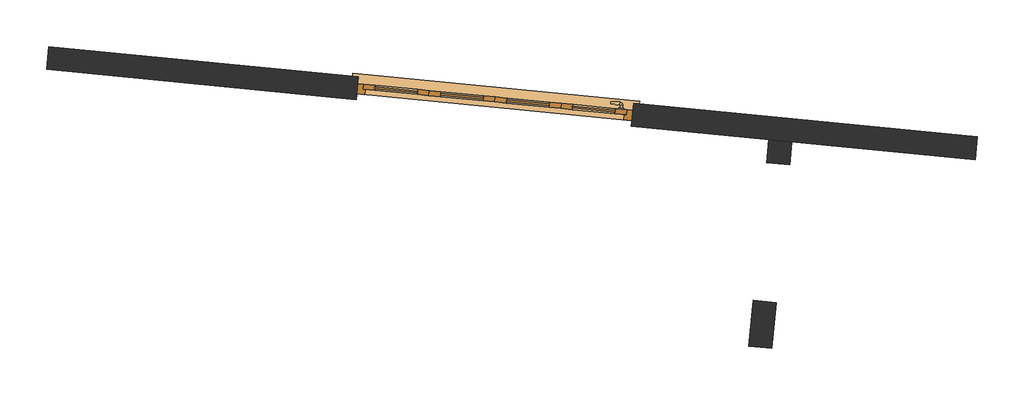
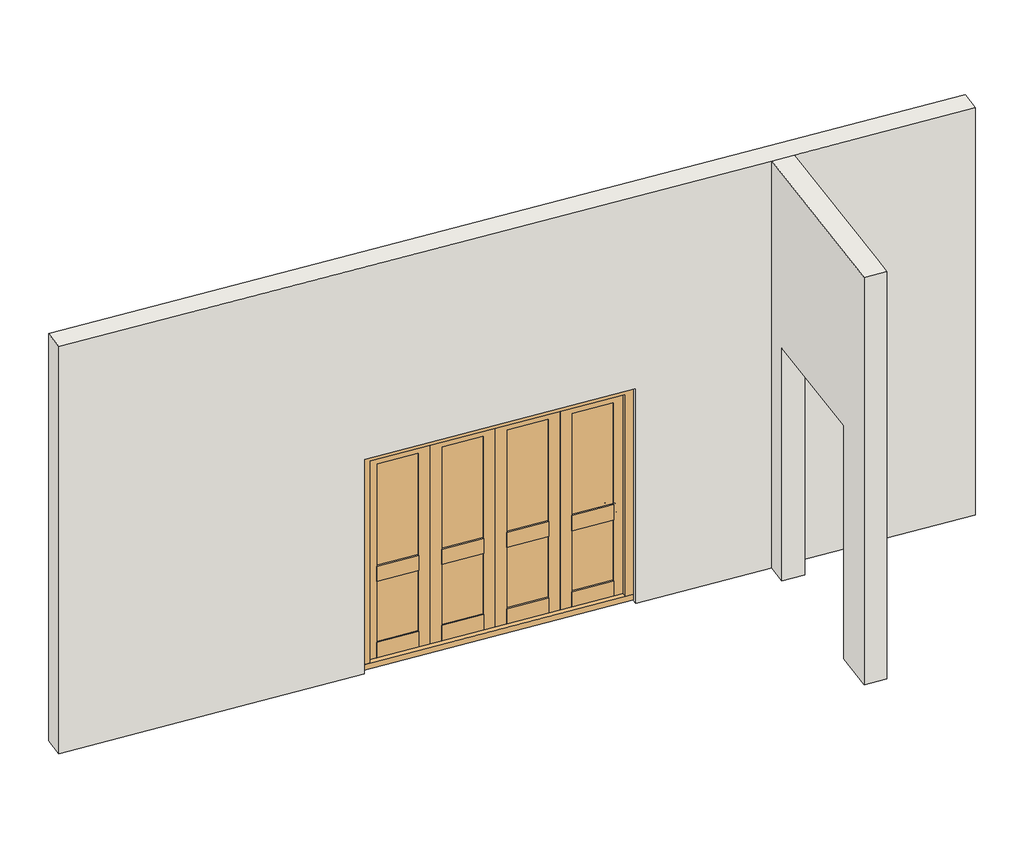
# One storey, part 6 of 18: 2 walls, 1 door.
"""IFC4 building model written with IfcOpenShell, lengths in millimetres."""

import ifcopenshell
import ifcopenshell.guid

model = None  # the IFC model being written
_history = None  # IfcOwnerHistory: only IFC2X3 demands one
_inside = {}  # id of a spatial element -> (the spatial element, [elements in it])
_under = {}  # id of a project, library or spatial element -> (it, [spatial elements below it])
_declared = {}  # id of a project -> (the project, [libraries it declares])
_typed = {}  # id of a type object -> (the type object, [elements of that type])
_made_of = {}  # id of a material, layer set ... -> (it, [elements and type objects made of it])


def new_model(schema):
    """Start an empty IFC model of exactly this schema.

    Asked for "IFC4X3", IfcOpenShell would pick the latest addendum, in which some entities
    have other attributes; the version numbers below select the first issue.
    IFC2X3 requires an IfcOwnerHistory on every rooted entity: one is made here for all.
    """
    global model, _history
    if schema == "IFC4X3":
        model = ifcopenshell.file(schema_version=(4, 3, 0, 0))
    else:
        model = ifcopenshell.file(schema=schema)
    _inside.clear()
    _under.clear()
    _declared.clear()
    _typed.clear()
    _made_of.clear()
    _history = None
    if model.schema == "IFC2X3":
        org = make("IfcOrganization", Name="unknown")
        user = make(
            "IfcPersonAndOrganization",
            ThePerson=make("IfcPerson", FamilyName="unknown"),
            TheOrganization=org,
        )
        app = make(
            "IfcApplication",
            ApplicationDeveloper=org,
            Version="unknown",
            ApplicationFullName="unknown",
            ApplicationIdentifier="unknown",
        )
        _history = make(
            "IfcOwnerHistory",
            OwningUser=user,
            OwningApplication=app,
            ChangeAction="ADDED",
            CreationDate=0,
        )
    return model


def make(cls, **values):
    """One entity of the class cls with the attributes given. An attribute that is None is left unset."""
    return model.create_entity(
        cls, **{name: value for name, value in values.items() if value is not None}
    )


def rooted(cls, **values):
    """An entity with a GlobalId (a new one), such as an element, a storey or a relation."""
    return make(cls, GlobalId=ifcopenshell.guid.new(), OwnerHistory=_history, **values)


def si_unit(unit_type, name, prefix=None):
    """IfcSIUnit, for example si_unit("LENGTHUNIT", "METRE", prefix="MILLI")."""
    return make("IfcSIUnit", UnitType=unit_type, Prefix=prefix, Name=name)


def assignment(units):
    """IfcUnitAssignment: the units of a project."""
    return None if units is None else make("IfcUnitAssignment", Units=units)


def point(xyz):
    """IfcCartesianPoint."""
    return None if xyz is None else make("IfcCartesianPoint", Coordinates=xyz)


def direction(xyz):
    """IfcDirection."""
    return None if xyz is None else make("IfcDirection", DirectionRatios=xyz)


def frame(location, z_axis=None, x_axis=None):
    """IfcAxis2Placement3D, a coordinate frame: its origin and axes. An axis left out is left unset."""
    return make(
        "IfcAxis2Placement3D",
        Location=point(location),
        Axis=direction(z_axis),
        RefDirection=direction(x_axis),
    )


def frame_2d(location, x_axis=None):
    """IfcAxis2Placement2D, a coordinate frame in the plane: its origin and x axis."""
    return make(
        "IfcAxis2Placement2D", Location=point(location), RefDirection=direction(x_axis)
    )


def origin():
    """The frame at (0, 0, 0) with its axes left unset."""
    return frame((0.0, 0.0, 0.0))


def place(relative_to, where):
    """IfcLocalPlacement: puts the frame where relative to a parent placement (None: the world)."""
    return make(
        "IfcLocalPlacement", PlacementRelTo=relative_to, RelativePlacement=where
    )


def context(
    kind, dimensions, precision=None, world=None, true_north=None, identifier=None
):
    """IfcGeometricRepresentationContext, for example the 3D "Model" context."""
    return make(
        "IfcGeometricRepresentationContext",
        ContextIdentifier=identifier,
        ContextType=kind,
        CoordinateSpaceDimension=dimensions,
        Precision=precision,
        WorldCoordinateSystem=world,
        TrueNorth=true_north,
    )


def project(units=None, contexts=None):
    """IfcProject with its units and contexts."""
    return rooted(
        "IfcProject",
        Name="project",
        RepresentationContexts=contexts,
        UnitsInContext=assignment(units),
    )


def spatial(cls, under=None, at=None, **own):
    """A site, building, storey or space (cls), placed at a placement, below another one or the project."""
    s = rooted(cls, ObjectPlacement=at, **own)
    if under is not None:
        _under.setdefault(under.id(), (under, []))[1].append(s)
    return s


def polyline(points):
    """IfcPolyline through the points."""
    return make("IfcPolyline", Points=[point(p) for p in points])


def circle_curve(where, radius):
    """IfcCircle in the frame where."""
    return make("IfcCircle", Position=where, Radius=radius)


def ellipse_curve(where, semi_axis1, semi_axis2):
    """IfcEllipse in the frame where."""
    return make(
        "IfcEllipse", Position=where, SemiAxis1=semi_axis1, SemiAxis2=semi_axis2
    )


def trimmed(basis, trim1, trim2, sense, master):
    """IfcTrimmedCurve: the piece of a basis curve between two trims."""
    return make(
        "IfcTrimmedCurve",
        BasisCurve=basis,
        Trim1=trim1,
        Trim2=trim2,
        SenseAgreement=sense,
        MasterRepresentation=master,
    )


def segment(curve, same_sense, transition):
    """IfcCompositeCurveSegment."""
    return make(
        "IfcCompositeCurveSegment",
        Transition=transition,
        SameSense=same_sense,
        ParentCurve=curve,
    )


def composite_curve(segments, self_intersect=None):
    """IfcCompositeCurve: segments joined end to end."""
    return make("IfcCompositeCurve", Segments=segments, SelfIntersect=self_intersect)


def outline(outer, holes=None, kind="AREA"):
    """IfcArbitraryClosedProfileDef: a profile drawn as a closed curve; with holes, ...WithVoids."""
    if holes is None:
        return make("IfcArbitraryClosedProfileDef", ProfileType=kind, OuterCurve=outer)
    return make(
        "IfcArbitraryProfileDefWithVoids",
        ProfileType=kind,
        OuterCurve=outer,
        InnerCurves=holes,
    )


def extrude(swept, where, along, depth):
    """IfcExtrudedAreaSolid: the profile swept, set in the frame where, extruded along a direction by depth."""
    return make(
        "IfcExtrudedAreaSolid",
        SweptArea=swept,
        Position=where,
        ExtrudedDirection=direction(along),
        Depth=depth,
    )


def faces_of(points, faces, orient=None, outer=None):
    """IfcFace entities. A face is a list of loops; a loop is a list of indices into points, from 0.

    orient and outer hold one flag for each loop. By default every Orientation is true, the
    first loop of a face is its IfcFaceOuterBound and the others are IfcFaceBound.
    """
    made = []
    for i, loops in enumerate(faces):
        bounds = []
        for j, loop in enumerate(loops):
            is_outer = j == 0 if outer is None else outer[i][j]
            bounds.append(
                make(
                    "IfcFaceOuterBound" if is_outer else "IfcFaceBound",
                    Bound=make("IfcPolyLoop", Polygon=[points[k] for k in loop]),
                    Orientation=True if orient is None else orient[i][j],
                )
            )
        made.append(make("IfcFace", Bounds=bounds))
    return made


def faceted_brep(points, faces, orient=None, outer=None, voids=None):
    """IfcFacetedBrep: a solid bounded by flat faces; with voids (closed shells), ...WithVoids."""
    shared = [point(p) for p in points]
    hull = make("IfcClosedShell", CfsFaces=faces_of(shared, faces, orient, outer))
    if voids is None:
        return make("IfcFacetedBrep", Outer=hull)
    return make(
        "IfcFacetedBrepWithVoids",
        Outer=hull,
        Voids=[
            make(cls, CfsFaces=faces_of(shared, fs, o, b)) for cls, fs, o, b in voids
        ],
    )


def shape(context_of_items, identifier, shape_type, items):
    """IfcShapeRepresentation: the items that make up one representation, for example the "Body"."""
    return make(
        "IfcShapeRepresentation",
        ContextOfItems=context_of_items,
        RepresentationIdentifier=identifier,
        RepresentationType=shape_type,
        Items=items,
    )


def source(mapping_origin, context_of_items, identifier, shape_type, items):
    """IfcRepresentationMap: a shape defined once, which mapped items show again and again."""
    return make(
        "IfcRepresentationMap",
        MappingOrigin=mapping_origin,
        MappedRepresentation=shape(context_of_items, identifier, shape_type, items),
    )


def transform(
    local_origin,
    x_axis=None,
    y_axis=None,
    z_axis=None,
    scale=None,
    scale2=None,
    scale3=None,
    uniform=True,
):
    """IfcCartesianTransformationOperator3D, or its non-uniform kind. x_axis, y_axis, z_axis: its Axis1, 2, 3."""
    if uniform:
        return make(
            "IfcCartesianTransformationOperator3D",
            Axis1=direction(x_axis),
            Axis2=direction(y_axis),
            LocalOrigin=point(local_origin),
            Scale=scale,
            Axis3=direction(z_axis),
        )
    return make(
        "IfcCartesianTransformationOperator3DnonUniform",
        Axis1=direction(x_axis),
        Axis2=direction(y_axis),
        LocalOrigin=point(local_origin),
        Scale=scale,
        Axis3=direction(z_axis),
        Scale2=scale2,
        Scale3=scale3,
    )


def mapped(mapping_source, mapping_target):
    """IfcMappedItem: shows the shape of a source again, moved by a transform."""
    return make(
        "IfcMappedItem", MappingSource=mapping_source, MappingTarget=mapping_target
    )


def made_of(thing, what):
    """Note that an element or type object is made of a material, layer set ...; save() writes the relation."""
    if what is not None:
        _made_of.setdefault(what.id(), (what, []))[1].append(thing)
    return thing


def element(
    cls,
    number,
    at=None,
    inside=None,
    cuts=None,
    type_object=None,
    material=None,
    context=None,
    identifier="Body",
    shape_type=None,
    held_by="IfcProductDefinitionShape",
    body=None,
    shapes=None,
    **own,
):
    """One element of the class cls, such as IfcWall. Its Tag is "e" and its number.

    at: its placement. inside: the storey or other place that contains it. cuts: it is an
    opening in that element (IfcRelVoidsElement). A single representation is given by context,
    identifier, shape_type and body (its items); several are given by shapes. held_by: the class
    of the entity that holds the representations. save() writes the other relations.
    """
    e = rooted(cls, Tag="e%d" % number, ObjectPlacement=at, **own)
    if body is not None:
        shapes = [shape(context, identifier, shape_type, body)]
    if shapes is not None:
        e.Representation = make(held_by, Representations=shapes)
    if inside is not None:
        _inside.setdefault(inside.id(), (inside, []))[1].append(e)
    if cuts is not None:
        rooted(
            "IfcRelVoidsElement", RelatingBuildingElement=cuts, RelatedOpeningElement=e
        )
    if type_object is not None:
        _typed.setdefault(type_object.id(), (type_object, []))[1].append(e)
    return made_of(e, material)


def aggregate(whole, parts):
    """IfcRelAggregates: a whole, such as a stair, and the parts it consists of."""
    return rooted("IfcRelAggregates", RelatingObject=whole, RelatedObjects=parts)


def save(model, path):
    """Write the relations noted so far, then the file.

    IfcRelAggregates (storeys below a building ...), IfcRelContainedInSpatialStructure (elements
    in a storey), IfcRelDefinesByType, IfcRelAssociatesMaterial and IfcRelDeclares: one each for
    every whole, place, type object, material and project.
    """
    for whole, parts in _under.values():
        aggregate(whole, parts)
    for where, things in _inside.values():
        rooted(
            "IfcRelContainedInSpatialStructure",
            RelatedElements=things,
            RelatingStructure=where,
        )
    for kind, things in _typed.values():
        rooted("IfcRelDefinesByType", RelatedObjects=things, RelatingType=kind)
    for what, things in _made_of.values():
        rooted("IfcRelAssociatesMaterial", RelatedObjects=things, RelatingMaterial=what)
    for by, libraries in _declared.values():
        rooted("IfcRelDeclares", RelatingContext=by, RelatedDefinitions=libraries)
    model.write(path)


def plane_surface(at):
    """IfcPlane: the flat surface through the origin of the frame at, square to its z axis."""
    return make("IfcPlane", Position=at)


def cylinder_surface(at, radius):
    """IfcCylindricalSurface: all points at the distance radius from the z axis of the frame at."""
    return make("IfcCylindricalSurface", Position=at, Radius=radius)


def revolved_surface(curve, axis_point, axis_direction):
    """IfcSurfaceOfRevolution: the curve turned about the line through axis_point along axis_direction."""
    return make(
        "IfcSurfaceOfRevolution",
        SweptCurve=make("IfcArbitraryOpenProfileDef", ProfileType="CURVE", Curve=curve),
        AxisPosition=make("IfcAxis1Placement", Location=point(axis_point), Axis=direction(axis_direction)),
    )


def advanced_brep(points, edges, surfaces, faces):
    """IfcAdvancedBrep: a solid bounded by faces that lie on surfaces and meet in shared edges.

    An edge is (start, end): straight between two places in points (the first is 0);
    or (start, end, curve); or (start, end, curve, False) where it runs against its curve.
    A face is (place in surfaces, loops), or (place, loops, False) where it looks against
    its surface's normal. A loop lists edges by number (the first is 1), with a minus sign
    where the edge is run from its end to its start. The first loop is the outer one.
    """
    corners = [point(p) for p in points]
    vertices = [make("IfcVertexPoint", VertexGeometry=c) for c in corners]
    made = []
    for start, end, *more in edges:
        made.append(
            make(
                "IfcEdgeCurve",
                EdgeStart=vertices[start],
                EdgeEnd=vertices[end],
                EdgeGeometry=more[0] if more else make("IfcPolyline", Points=[corners[start], corners[end]]),
                SameSense=more[1] if len(more) > 1 else True,
            )
        )
    hull = []
    for where, loops, *sense in faces:
        bounds = []
        for j, loop in enumerate(loops):
            ring = [make("IfcOrientedEdge", EdgeElement=made[abs(k) - 1], Orientation=k > 0) for k in loop]
            bounds.append(
                make(
                    "IfcFaceOuterBound" if j == 0 else "IfcFaceBound",
                    Bound=make("IfcEdgeLoop", EdgeList=ring),
                    Orientation=True,
                )
            )
        hull.append(make("IfcAdvancedFace", Bounds=bounds, FaceSurface=surfaces[where], SameSense=sense[0] if sense else True))
    return make("IfcAdvancedBrep", Outer=make("IfcClosedShell", CfsFaces=hull))


def bifold_door_11357_bifold_door_11357_60b7b5bb(model_context):
    return source(origin(), model_context, "Body", "SolidModel", [
        extrude(outline(polyline([(100.0, 40.0), (474.25, 40.0), (474.25, 26.0), (100.0, 26.0), (100.0, 40.0)])), frame((0.0, 0.0, 804.5), z_axis=(0.0, 0.0, 1.0), x_axis=(1.0, 0.0, 0.0)), (0.0, 0.0, 1.0), 150.0),
        extrude(outline(polyline([(474.25, -4.0), (100.0, -4.0), (100.0, 10.0), (474.25, 10.0), (474.25, -4.0)])), frame((0.0, 0.0, 804.5), z_axis=(0.0, 0.0, 1.0), x_axis=(1.0, 0.0, 0.0)), (0.0, 0.0, 1.0), 150.0),
        extrude(outline(polyline([(474.25, 10.0), (100.0, 10.0), (100.0, 26.0), (474.25, 26.0), (474.25, 10.0)])), frame((0.0, 0.0, 204.5), z_axis=(0.0, 0.0, 1.0), x_axis=(1.0, 0.0, 0.0)), (0.0, 0.0, 1.0), 1754.0),
        extrude(outline(polyline([(100.0, -4.0), (100.0, 40.0), (474.25, 40.0), (474.25, -4.0), (100.0, -4.0)])), frame((0.0, 0.0, 54.5), z_axis=(0.0, 0.0, 1.0), x_axis=(1.0, 0.0, 0.0)), (0.0, 0.0, 1.0), 150.0),
        extrude(outline(polyline([(54.5, 0.0), (54.5, 100.0), (1958.5, 100.0), (1958.5, 474.25), (54.5, 474.25), (54.5, 574.25), (2058.5, 574.25), (2058.5, 0.0), (54.5, 0.0)])), frame((0.0, -4.0, 0.0), z_axis=(0.0, 1.0, 0.0), x_axis=(0.0, 0.0, 1.0)), (0.0, 0.0, 1.0), 44.0),
        extrude(outline(polyline([(-474.25, 40.0), (-100.0, 40.0), (-100.0, 26.0), (-474.25, 26.0), (-474.25, 40.0)])), frame((0.0, 0.0, 804.5), z_axis=(0.0, 0.0, 1.0), x_axis=(1.0, 0.0, 0.0)), (0.0, 0.0, 1.0), 150.0),
        extrude(outline(polyline([(-100.0, -4.0), (-474.25, -4.0), (-474.25, 10.0), (-100.0, 10.0), (-100.0, -4.0)])), frame((0.0, 0.0, 804.5), z_axis=(0.0, 0.0, 1.0), x_axis=(1.0, 0.0, 0.0)), (0.0, 0.0, 1.0), 150.0),
        extrude(outline(polyline([(-100.0, 10.0), (-474.25, 10.0), (-474.25, 26.0), (-100.0, 26.0), (-100.0, 10.0)])), frame((0.0, 0.0, 204.5), z_axis=(0.0, 0.0, 1.0), x_axis=(1.0, 0.0, 0.0)), (0.0, 0.0, 1.0), 1754.0),
        extrude(outline(polyline([(-474.25, -4.0), (-474.25, 40.0), (-100.0, 40.0), (-100.0, -4.0), (-474.25, -4.0)])), frame((0.0, 0.0, 54.5), z_axis=(0.0, 0.0, 1.0), x_axis=(1.0, 0.0, 0.0)), (0.0, 0.0, 1.0), 150.0),
        extrude(outline(polyline([(54.5, -574.25), (54.5, -474.25), (1958.5, -474.25), (1958.5, -100.0), (54.5, -100.0), (54.5, 0.0), (2058.5, 0.0), (2058.5, -574.25), (54.5, -574.25)])), frame((0.0, -4.0, 0.0), z_axis=(0.0, 1.0, 0.0), x_axis=(0.0, 0.0, 1.0)), (0.0, 0.0, 1.0), 44.0),
        extrude(outline(polyline([(674.25, 40.0), (1048.5, 40.0), (1048.5, 26.0), (674.25, 26.0), (674.25, 40.0)])), frame((0.0, 0.0, 804.5), z_axis=(0.0, 0.0, 1.0), x_axis=(1.0, 0.0, 0.0)), (0.0, 0.0, 1.0), 150.0),
        extrude(outline(polyline([(1048.5, -4.0), (674.25, -4.0), (674.25, 10.0), (1048.5, 10.0), (1048.5, -4.0)])), frame((0.0, 0.0, 804.5), z_axis=(0.0, 0.0, 1.0), x_axis=(1.0, 0.0, 0.0)), (0.0, 0.0, 1.0), 150.0),
        extrude(outline(polyline([(1048.5, 10.0), (674.25, 10.0), (674.25, 26.0), (1048.5, 26.0), (1048.5, 10.0)])), frame((0.0, 0.0, 204.5), z_axis=(0.0, 0.0, 1.0), x_axis=(1.0, 0.0, 0.0)), (0.0, 0.0, 1.0), 1754.0),
        extrude(outline(polyline([(674.25, -4.0), (674.25, 40.0), (1048.5, 40.0), (1048.5, -4.0), (674.25, -4.0)])), frame((0.0, 0.0, 54.5), z_axis=(0.0, 0.0, 1.0), x_axis=(1.0, 0.0, 0.0)), (0.0, 0.0, 1.0), 150.0),
        extrude(outline(polyline([(54.5, 574.25), (54.5, 674.25), (1958.5, 674.25), (1958.5, 1048.5), (54.5, 1048.5), (54.5, 1148.5), (2058.5, 1148.5), (2058.5, 574.25), (54.5, 574.25)])), frame((0.0, -4.0, 0.0), z_axis=(0.0, 1.0, 0.0), x_axis=(0.0, 0.0, 1.0)), (0.0, 0.0, 1.0), 44.0),
        extrude(outline(polyline([(-1048.5, 40.0), (-674.25, 40.0), (-674.25, 26.0), (-1048.5, 26.0), (-1048.5, 40.0)])), frame((0.0, 0.0, 804.5), z_axis=(0.0, 0.0, 1.0), x_axis=(1.0, 0.0, 0.0)), (0.0, 0.0, 1.0), 150.0),
        extrude(outline(polyline([(-674.25, -4.0), (-1048.5, -4.0), (-1048.5, 10.0), (-674.25, 10.0), (-674.25, -4.0)])), frame((0.0, 0.0, 804.5), z_axis=(0.0, 0.0, 1.0), x_axis=(1.0, 0.0, 0.0)), (0.0, 0.0, 1.0), 150.0),
        extrude(outline(polyline([(-674.25, 10.0), (-1048.5, 10.0), (-1048.5, 26.0), (-674.25, 26.0), (-674.25, 10.0)])), frame((0.0, 0.0, 204.5), z_axis=(0.0, 0.0, 1.0), x_axis=(1.0, 0.0, 0.0)), (0.0, 0.0, 1.0), 1754.0),
        extrude(outline(polyline([(-1048.5, -4.0), (-1048.5, 40.0), (-674.25, 40.0), (-674.25, -4.0), (-1048.5, -4.0)])), frame((0.0, 0.0, 54.5), z_axis=(0.0, 0.0, 1.0), x_axis=(1.0, 0.0, 0.0)), (0.0, 0.0, 1.0), 150.0),
        extrude(outline(polyline([(54.5, -1148.5), (54.5, -1048.5), (1958.5, -1048.5), (1958.5, -674.25), (54.5, -674.25), (54.5, -574.25), (2058.5, -574.25), (2058.5, -1148.5), (54.5, -1148.5)])), frame((0.0, -4.0, 0.0), z_axis=(0.0, 1.0, 0.0), x_axis=(0.0, 0.0, 1.0)), (0.0, 0.0, 1.0), 44.0),
        advanced_brep(
        [(1108.5, 50.0, 913.5197851), (1088.5, 50.0, 913.5197851), (1108.5, 73.0, 913.5197851), (1088.5, 73.0, 913.5197851), (1083.5, 78.0, 913.5197851), (1083.5, 98.0, 913.5197851), (1003.3501694, 98.0, 913.5197851), (1003.3501694, 78.0, 913.5197851)],
        [
            (0, 1, circle_curve(frame((1098.5, 50.0, 913.5197851), z_axis=(0.0, -1.0, 0.0), x_axis=(-1.0, 0.0, 0.0)), 10.0)),
            (1, 0, circle_curve(frame((1098.5, 50.0, 913.5197851), z_axis=(0.0, -1.0, 0.0), x_axis=(-1.0, 0.0, 0.0)), 10.0)),
            (0, 2),
            (2, 3, circle_curve(frame((1098.5, 73.0, 913.5197851), z_axis=(0.0, -1.0, 0.0), x_axis=(-1.0, 0.0, 0.0)), 10.0)),
            (3, 1),
            (3, 2, circle_curve(frame((1098.5, 73.0, 913.5197851), z_axis=(0.0, -1.0, 0.0), x_axis=(-1.0, 0.0, 0.0)), 10.0)),
            (4, 3, circle_curve(frame((1083.5, 73.0, 913.5197851), z_axis=(0.0, 0.0, -1.0), x_axis=(1.0, 0.0, 0.0)), 5.0)),
            (2, 5, circle_curve(frame((1083.5, 73.0, 913.5197851), z_axis=(0.0, 0.0, 1.0), x_axis=(1.0, 0.0, 0.0)), 25.0)),
            (5, 4, circle_curve(frame((1083.5, 88.0, 913.5197851), z_axis=(1.0, 0.0, 0.0), x_axis=(0.0, -1.0, 0.0)), 10.0)),
            (4, 5, circle_curve(frame((1083.5, 88.0, 913.5197851), z_axis=(1.0, 0.0, 0.0), x_axis=(0.0, -1.0, 0.0)), 10.0)),
            (6, 7, circle_curve(frame((1003.3501694, 88.0, 913.5197851), z_axis=(-1.0, 0.0, 0.0), x_axis=(0.0, -1.0, 0.0)), 10.0)),
            (7, 6, circle_curve(frame((1003.3501694, 88.0, 913.5197851), z_axis=(-1.0, 0.0, 0.0), x_axis=(0.0, -1.0, 0.0)), 10.0)),
            (5, 6),
            (7, 4),
        ],
        [
            plane_surface(frame((1098.5, 50.0, 0.0), z_axis=(0.0, -1.0, 0.0), x_axis=(0.0, 0.0, 1.0))),
            cylinder_surface(frame((1098.5, 50.0, 913.5197851), z_axis=(0.0, -1.0, 0.0), x_axis=(-1.0, 0.0, 0.0)), 10.0),
            revolved_surface(trimmed(ellipse_curve(frame((1098.5, 73.0, 913.5197851), z_axis=(0.0, -1.0, 0.0), x_axis=(-1.0, 0.0, 0.0)), 10.0, 10.0), [point((1108.5, 73.0, 913.5197851))], [point((1088.5, 73.0, 913.5197851))], True, "CARTESIAN"), (1083.5, 73.0, 0.0), (0.0, 0.0, 1.0)),
            revolved_surface(trimmed(ellipse_curve(frame((1098.5, 73.0, 913.5197851), z_axis=(0.0, -1.0, 0.0), x_axis=(-1.0, 0.0, 0.0)), 10.0, 10.0), [point((1088.5, 73.0, 913.5197851))], [point((1108.5, 73.0, 913.5197851))], True, "CARTESIAN"), (1083.5, 73.0, 0.0), (0.0, 0.0, 1.0)),
            plane_surface(frame((1003.3501694, 88.0, 0.0), z_axis=(-1.0, 0.0, 0.0), x_axis=(0.0, 0.0, 1.0))),
            cylinder_surface(frame((1083.5, 88.0, 913.5197851), z_axis=(1.0, 0.0, 0.0), x_axis=(0.0, -1.0, 0.0)), 10.0),
        ],
        [
            (0, [[1, 2]]),
            (1, [[-1, 3, 4, 5]]),
            (1, [[-2, -5, 6, -3]]),
            (2, [[7, -4, 8, 9]]),
            (3, [[-8, -6, -7, 10]]),
            (4, [[11, 12]]),
            (5, [[-9, 13, -12, 14]]),
            (5, [[-10, -14, -11, -13]]),
        ],
    ),
        extrude(outline(composite_curve([segment(polyline([(809.5, 1119.5), (947.5395702, 1119.5)]), True, "CONTINUOUS"), segment(trimmed(circle_curve(frame_2d((932.9481035, 1098.5)), 25.5716817), [point((947.5395702, 1119.5))], [point((947.5395702, 1077.5))], False, "CARTESIAN"), True, "CONTINUOUS"), segment(polyline([(947.5395702, 1077.5), (809.5, 1077.5)]), True, "CONTINUOUS"), segment(trimmed(circle_curve(frame_2d((824.0914668, 1098.5)), 25.5716817), [point((809.5, 1077.5))], [point((809.5, 1119.5))], False, "CARTESIAN"), True, "CONTINUOUS")], self_intersect=False), holes=[composite_curve([segment(polyline([(834.5197851, 1095.5), (844.5197851, 1095.5)]), True, "CONTINUOUS"), segment(trimmed(circle_curve(frame_2d((848.5197851, 1098.5)), 5.0), [point((844.5197851, 1095.5))], [point((844.5197851, 1101.5))], True, "CARTESIAN"), True, "CONTINUOUS"), segment(polyline([(844.5197851, 1101.5), (834.5197851, 1101.5)]), True, "CONTINUOUS"), segment(trimmed(circle_curve(frame_2d((834.7134009, 1098.5)), 3.0062414), [point((834.5197851, 1101.5))], [point((834.5197851, 1095.5))], True, "CARTESIAN"), True, "CONTINUOUS")], self_intersect=False)]), frame((0.0, 40.0, 0.0), z_axis=(0.0, 1.0, 0.0), x_axis=(0.0, 0.0, 1.0)), (0.0, 0.0, 1.0), 10.0),
        faceted_brep([(1250.0, 125.0, 0.0), (1250.0, 125.0, 41.609375), (1250.0, 100.0, 45.4007353), (1250.0, 100.0, 0.0), (-1250.0, 125.0, 41.609375), (-1250.0, 125.0, 0.0), (-1250.0, 100.0, 0.0), (-1250.0, 100.0, 45.4007353), (-1200.0, -49.0, 54.5), (-1200.0, -49.0, 0.0), (1200.0, -49.0, 0.0), (1200.0, -49.0, 54.5), (1200.0, 100.0, 0.0), (-1200.0, 100.0, 0.0), (-1200.0, 100.0, 45.4007353), (-1200.0, 40.0, 54.5), (1200.0, 40.0, 54.5), (1200.0, 100.0, 45.4007353)], [[[0, 1, 2, 3]], [[4, 5, 6, 7]], [[8, 9, 10, 11]], [[5, 0, 3, 12, 10, 9, 13, 6]], [[1, 0, 5, 4]], [[1, 4, 7, 14, 15, 16, 17, 2]], [[15, 8, 11, 16]], [[13, 14, 7, 6]], [[14, 13, 9, 8, 15]], [[12, 17, 16, 11, 10]], [[17, 12, 3, 2]]]),
        faceted_brep([(1200.0, -49.0, 54.5), (1129.5, -49.0, 54.5), (1129.5, -7.0, 54.5), (1151.5, -7.0, 54.5), (1151.5, 40.0, 54.5), (1200.0, 40.0, 54.5), (1200.0, -49.0, 2110.0), (-1200.0, -49.0, 2110.0), (-1200.0, -49.0, 54.5), (-1129.5, -49.0, 54.5), (-1129.5, -49.0, 2039.5), (1129.5, -49.0, 2039.5), (1129.5, -7.0, 2039.5), (-1129.5, -7.0, 2039.5), (-1129.5, -7.0, 54.5), (-1151.5, -7.0, 54.5), (-1151.5, -7.0, 2061.5), (1151.5, -7.0, 2061.5), (1151.5, 40.0, 2061.5), (-1151.5, 40.0, 2061.5), (-1151.5, 40.0, 54.5), (-1200.0, 40.0, 54.5), (-1200.0, 40.0, 2110.0), (1200.0, 40.0, 2110.0)], [[[0, 1, 2, 3, 4, 5]], [[1, 0, 6, 7, 8, 9, 10, 11]], [[2, 1, 11, 12]], [[3, 2, 12, 13, 14, 15, 16, 17]], [[4, 3, 17, 18]], [[5, 4, 18, 19, 20, 21, 22, 23]], [[0, 5, 23, 6]], [[7, 22, 21, 8]], [[8, 21, 20, 15, 14, 9]], [[13, 10, 9, 14]], [[19, 16, 15, 20]], [[12, 11, 10, 13]], [[18, 17, 16, 19]], [[6, 23, 22, 7]]]),
    ])


model = new_model("IFC4")

# Units and contexts
model_context = context("Model", 3, world=origin())
ifc_project = project(units=[si_unit("LENGTHUNIT", "METRE", prefix="MILLI")], contexts=[model_context])

# Site, building, storey
site = spatial("IfcSite", under=ifc_project)
building = spatial("IfcBuilding", under=site)
storey = spatial("IfcBuildingStorey", under=building, Elevation=12680.0)

# Door
placement = place(None, origin())
bifold_door_11357_bifold_door_11357_shape = bifold_door_11357_bifold_door_11357_60b7b5bb(model_context)
element("IfcDoor", 1, ObjectType="Bifold_door_11357 : Bifold_door_11357", at=placement, inside=storey, context=model_context, shape_type="MappedRepresentation", body=[
    mapped(bifold_door_11357_bifold_door_11357_shape, transform((-283532.0393584, 21537.0308007, 12680.0), x_axis=(0.9952945764557565, -0.09689533568627709, 0.0), y_axis=(0.09689533568627709, 0.9952945764557565, 0.0), z_axis=(0.0, 0.0, 1.0))),
])

# Walls
element("IfcWall", 2, ObjectType="Generic - 200mm - Filled", at=placement, inside=storey, context=model_context, shape_type="Brep", body=[
    faceted_brep([(-279361.4916708, 21030.5409332, 16680.0), (-280953.9629931, 21185.5734703, 16680.0), (-281153.0219084, 21204.9525375, 16680.0), (-285631.8475025, 21640.981548, 16680.0), (-285830.9064178, 21660.3606152, 16680.0), (-287423.3777401, 21815.3931523, 16680.0), (-287423.3777401, 21815.3931523, 12680.0), (-285830.9064178, 21660.3606152, 12680.0), (-285631.8475025, 21640.981548, 12680.0), (-284736.0823837, 21553.7757459, 12680.0), (-284736.0823837, 21553.7757459, 14790.0), (-282347.3754002, 21321.2269403, 14790.0), (-282347.3754002, 21321.2269403, 12680.0), (-281153.0219084, 21204.9525375, 12680.0), (-280953.9629931, 21185.5734703, 12680.0), (-279361.4916708, 21030.5409332, 12680.0), (-287403.998673, 22014.4520676, 16680.0), (-279342.1126037, 21229.5998485, 16680.0), (-279342.1126037, 21229.5998485, 12680.0), (-282327.996333, 21520.2858556, 12680.0), (-282327.996333, 21520.2858556, 14790.0), (-284716.7033165, 21752.8346612, 14790.0), (-284716.7033165, 21752.8346612, 12680.0), (-287403.998673, 22014.4520676, 12680.0)], [[[0, 1, 2, 3, 4, 5, 6, 7, 8, 9, 10, 11, 12, 13, 14, 15]], [[16, 17, 18, 19, 20, 21, 22, 23]], [[6, 23, 22, 9, 8, 7]], [[18, 15, 14, 13, 12, 19]], [[5, 4, 3, 2, 1, 0, 17, 16]], [[6, 5, 16, 23]], [[0, 15, 18, 17]], [[11, 20, 19, 12]], [[20, 11, 10, 21]], [[21, 10, 9, 22]]]),
])
element("IfcWall", 3, ObjectType="Generic - 200mm - Filled", at=placement, inside=storey, context=model_context, shape_type="Brep", body=[
    faceted_brep([(-281128.3745974, 19394.0432327, 12680.0), (-281108.9955302, 19593.102148, 12680.0), (-281089.6164631, 19792.1610633, 12680.0), (-281089.6164631, 19792.1610633, 14970.0), (-280973.3420603, 20986.514555, 14970.0), (-280973.3420603, 20986.514555, 12680.0), (-280953.9629931, 21185.5734703, 12680.0), (-280953.9629931, 21185.5734703, 16680.0), (-281108.9955302, 19593.102148, 16680.0), (-281128.3745974, 19394.0432327, 16680.0), (-281288.6753784, 19811.5401304, 14970.0), (-281288.6753784, 19811.5401304, 12680.0), (-281327.4335127, 19413.4222998, 12680.0), (-281327.4335127, 19413.4222998, 16680.0), (-281153.0219084, 21204.9525375, 16680.0), (-281153.0219084, 21204.9525375, 12680.0), (-281172.4009756, 21005.8936222, 12680.0), (-281172.4009756, 21005.8936222, 14970.0)], [[[0, 1, 2, 3, 4, 5, 6, 7, 8, 9]], [[10, 11, 12, 13, 14, 15, 16, 17]], [[16, 15, 6, 5]], [[12, 11, 2, 1, 0]], [[9, 8, 7, 14, 13]], [[0, 9, 13, 12]], [[7, 6, 15, 14]], [[3, 2, 11, 10]], [[4, 3, 10, 17]], [[5, 4, 17, 16]]]),
])

save(model, "model.ifc")
